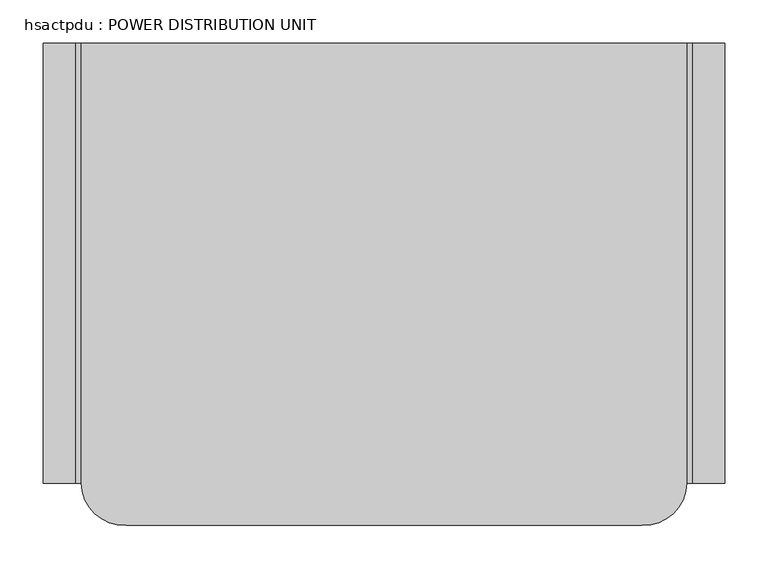
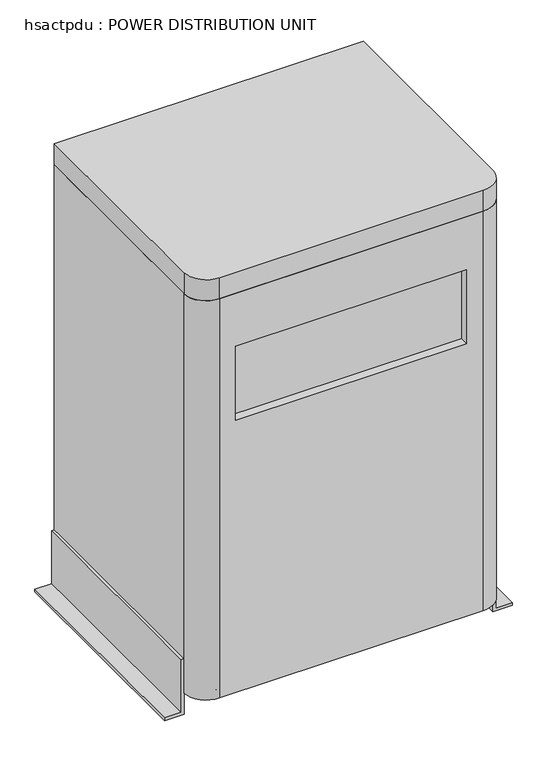
"""IFC4 building model written with IfcOpenShell, lengths in millimetres: proxy geometry, hsactpdu : POWER DISTRIBUTION UNIT."""

from ifc_helpers import new_model, si_unit, point, frame, frame_2d, origin, place, context, project, spatial, polyline, circle_curve, trimmed, segment, composite_curve, outline, extrude, source, transform, mapped, element, save
from ifc_brep_helpers import plane_surface, cylinder_surface, advanced_brep


def hsactpdu_power_distribution_unit_e266adec(model_context):
    return source(origin(), model_context, "Body", "SolidModel", [
        advanced_brep(
        [(351.7080681, -663.4300654, 1010.92), (-351.7080681, -663.4300654, 1010.92), (-299.6939855, -712.8125147, 1010.92), (299.6939855, -712.8125147, 1010.92), (351.7080681, -663.4300654, 50.8), (299.6939855, -712.8125147, 50.8), (-299.6939855, -712.8125147, 50.8), (-351.7080681, -663.4300654, 50.8), (-262.8080681, -712.8125147, 883.92), (262.8080681, -712.8125147, 883.92), (262.8080681, -712.8125147, 706.12), (-262.8080681, -712.8125147, 706.12), (262.8080681, -693.1819847, 883.92), (-262.8080681, -693.1819847, 883.92), (-262.8080681, -693.1819847, 706.12), (262.8080681, -693.1819847, 706.12)],
        [
            (0, 1),
            (1, 2, circle_curve(frame((-301.487452, -662.6173529, 1010.92), z_axis=(0.0, 0.0, 1.0), x_axis=(1.0, 0.0, 0.0)), 50.2271917)),
            (2, 3),
            (3, 0, circle_curve(frame((301.487452, -662.6173529, 1010.92), z_axis=(0.0, 0.0, 1.0), x_axis=(1.0, 0.0, 0.0)), 50.2271917)),
            (4, 5, circle_curve(frame((301.487452, -662.6173529, 50.8), z_axis=(0.0, 0.0, -1.0), x_axis=(1.0, 0.0, 0.0)), 50.2271917)),
            (5, 6),
            (6, 7, circle_curve(frame((-301.487452, -662.6173529, 50.8), z_axis=(0.0, 0.0, -1.0), x_axis=(1.0, 0.0, 0.0)), 50.2271917)),
            (7, 4),
            (0, 4),
            (7, 1),
            (6, 2),
            (5, 3),
            (8, 9),
            (9, 10),
            (10, 11),
            (11, 8),
            (12, 13),
            (13, 14),
            (14, 15),
            (15, 12),
            (12, 9),
            (8, 13),
            (11, 14),
            (10, 15),
        ],
        [
            plane_surface(frame((-351.7080681, -663.4300654, 1010.92), z_axis=(0.0, 0.0, 1.0), x_axis=(-1.0, 0.0, 0.0))),
            plane_surface(frame((-351.7080681, -663.4300654, 50.8), z_axis=(0.0, 0.0, -1.0), x_axis=(1.0, 0.0, 0.0))),
            plane_surface(frame((351.7080681, -663.4300654, 1010.92), z_axis=(0.0, 1.0, 0.0), x_axis=(0.0, 0.0, -1.0))),
            cylinder_surface(frame((-301.487452, -662.6173529, 50.8), z_axis=(0.0, 0.0, 1.0), x_axis=(1.0, 0.0, 0.0)), 50.2271917),
            plane_surface(frame((-299.6939855, -712.8125147, 1010.92), z_axis=(0.0, -1.0, 0.0), x_axis=(0.0, 0.0, -1.0))),
            cylinder_surface(frame((301.487452, -662.6173529, 50.8), z_axis=(0.0, 0.0, 1.0), x_axis=(1.0, 0.0, 0.0)), 50.2271917),
            plane_surface(frame((-299.6939855, -693.1819847, 883.92), z_axis=(0.0, -1.0, 0.0), x_axis=(1.0, 0.0, 0.0))),
            plane_surface(frame((262.8080681, -760.2832995, 883.92), z_axis=(0.0, 0.0, -1.0), x_axis=(0.0, 1.0, 0.0))),
            plane_surface(frame((-262.8080681, -760.2832995, 883.92), z_axis=(1.0, 0.0, 0.0), x_axis=(0.0, 1.0, 0.0))),
            plane_surface(frame((-262.8080681, -760.2832995, 706.12), z_axis=(0.0, 0.0, 1.0), x_axis=(0.0, 1.0, 0.0))),
            plane_surface(frame((262.8080681, -760.2832995, 706.12), z_axis=(-1.0, 0.0, 0.0), x_axis=(0.0, 1.0, 0.0))),
        ],
        [
            (0, [[1, 2, 3, 4]]),
            (1, [[5, 6, 7, 8]]),
            (2, [[-1, 9, -8, 10]]),
            (3, [[-2, -10, -7, 11]]),
            (4, [[-3, -11, -6, 12], [13, 14, 15, 16]]),
            (5, [[-4, -12, -5, -9]]),
            (6, [[17, 18, 19, 20]]),
            (7, [[-17, 21, -13, 22]]),
            (8, [[-18, -22, -16, 23]]),
            (9, [[-19, -23, -15, 24]]),
            (10, [[-20, -24, -14, -21]]),
        ],
    ),
        extrude(outline(composite_curve([segment(trimmed(circle_curve(frame_2d((-612.6300654, 31.75)), 38.1), [point((-579.6344975, 50.8))], [point((-645.6256333, 50.8))], True, "CARTESIAN"), True, "CONTINUOUS"), segment(polyline([(-645.6256333, 50.8), (-663.4300654, 50.8), (-663.4300654, 1010.92), (-152.4, 1010.92), (-152.4, 50.8), (-170.2044321, 50.8)]), True, "CONTINUOUS"), segment(trimmed(circle_curve(frame_2d((-203.2, 31.75)), 38.1), [point((-170.2044321, 50.8))], [point((-236.1955679, 50.8))], True, "CARTESIAN"), True, "CONTINUOUS"), segment(polyline([(-236.1955679, 50.8), (-579.6344975, 50.8)]), True, "CONTINUOUS")], self_intersect=False)), frame((-351.7080681, 0.0, 0.0), z_axis=(1.0, 0.0, 0.0), x_axis=(0.0, 1.0, 0.0)), (0.0, 0.0, 1.0), 703.4161363),
        extrude(outline(composite_curve([segment(trimmed(circle_curve(frame_2d((-612.6300654, 31.75)), 31.75), [point((-644.3800654, 31.75))], [point((-580.8800654, 31.75))], False, "CARTESIAN"), True, "CONTINUOUS"), segment(trimmed(circle_curve(frame_2d((-612.6300654, 31.75)), 31.75), [point((-580.8800654, 31.75))], [point((-644.3800654, 31.75))], False, "CARTESIAN"), True, "CONTINUOUS")], self_intersect=False)), frame((-304.8, 0.0, 0.0), z_axis=(1.0, 0.0, 0.0), x_axis=(0.0, 1.0, 0.0)), (0.0, 0.0, 1.0), 44.45),
        extrude(outline(composite_curve([segment(trimmed(circle_curve(frame_2d((-203.2, 31.75)), 31.75), [point((-171.45, 31.75))], [point((-234.95, 31.75))], False, "CARTESIAN"), True, "CONTINUOUS"), segment(trimmed(circle_curve(frame_2d((-203.2, 31.75)), 31.75), [point((-234.95, 31.75))], [point((-171.45, 31.75))], False, "CARTESIAN"), True, "CONTINUOUS")], self_intersect=False)), frame((-304.8, 0.0, 0.0), z_axis=(1.0, 0.0, 0.0), x_axis=(0.0, 1.0, 0.0)), (0.0, 0.0, 1.0), 44.45),
        extrude(outline(composite_curve([segment(trimmed(circle_curve(frame_2d((-612.6300654, 31.75)), 31.75), [point((-644.3800654, 31.75))], [point((-580.8800654, 31.75))], False, "CARTESIAN"), True, "CONTINUOUS"), segment(trimmed(circle_curve(frame_2d((-612.6300654, 31.75)), 31.75), [point((-580.8800654, 31.75))], [point((-644.3800654, 31.75))], False, "CARTESIAN"), True, "CONTINUOUS")], self_intersect=False)), frame((260.35, 0.0, 0.0), z_axis=(1.0, 0.0, 0.0), x_axis=(0.0, 1.0, 0.0)), (0.0, 0.0, 1.0), 44.45),
        extrude(outline(composite_curve([segment(trimmed(circle_curve(frame_2d((-203.2, 31.75)), 31.75), [point((-171.45, 31.75))], [point((-234.95, 31.75))], False, "CARTESIAN"), True, "CONTINUOUS"), segment(trimmed(circle_curve(frame_2d((-203.2, 31.75)), 31.75), [point((-234.95, 31.75))], [point((-171.45, 31.75))], False, "CARTESIAN"), True, "CONTINUOUS")], self_intersect=False)), frame((260.35, 0.0, 0.0), z_axis=(1.0, 0.0, 0.0), x_axis=(0.0, 1.0, 0.0)), (0.0, 0.0, 1.0), 44.45),
        extrude(outline(composite_curve([segment(trimmed(circle_curve(frame_2d((-301.487452, -662.6173529)), 50.2271917), [point((-299.6939855, -712.8125147))], [point((-351.7080681, -663.4300654))], False, "CARTESIAN"), True, "CONTINUOUS"), segment(polyline([(-351.7080681, -663.4300654), (-351.7080681, -152.4), (351.7080681, -152.4), (351.7080681, -663.4300654)]), True, "CONTINUOUS"), segment(trimmed(circle_curve(frame_2d((301.487452, -662.6173529)), 50.2271917), [point((351.7080681, -663.4300654))], [point((299.6939855, -712.8125147))], False, "CARTESIAN"), True, "CONTINUOUS"), segment(polyline([(299.6939855, -712.8125147), (-299.6939855, -712.8125147)]), True, "CONTINUOUS")], self_intersect=False)), frame((0.0, 0.0, 1010.92), z_axis=(0.0, 0.0, 1.0), x_axis=(1.0, 0.0, 0.0)), (0.0, 0.0, 1.0), 50.8),
        extrude(outline(polyline([(133.35, -358.0580681), (6.35, -358.0580681), (6.35, -396.1580681), (0.0, -396.1580681), (0.0, -351.7080681), (133.35, -351.7080681), (133.35, -358.0580681)])), frame((0.0, -663.4300654, 0.0), z_axis=(0.0, 1.0, 0.0), x_axis=(0.0, 0.0, 1.0)), (0.0, 0.0, 1.0), 511.0300654),
        extrude(outline(polyline([(133.35, 358.0580681), (133.35, 351.7080681), (0.0, 351.7080681), (0.0, 396.1580681), (6.35, 396.1580681), (6.35, 358.0580681), (133.35, 358.0580681)])), frame((0.0, -663.4300654, 0.0), z_axis=(0.0, 1.0, 0.0), x_axis=(0.0, 0.0, 1.0)), (0.0, 0.0, 1.0), 511.0300654),
    ])


if __name__ == "__main__":
    model = new_model("IFC4")
    model_context = context("Model", 3, world=origin())
    ifc_project = project(units=[si_unit("LENGTHUNIT", "METRE", prefix="MILLI")], contexts=[model_context])
    site = spatial("IfcSite", under=ifc_project)
    building = spatial("IfcBuilding", under=site)
    placement = place(None, origin())
    hsactpdu_power_distribution_unit_shape = hsactpdu_power_distribution_unit_e266adec(model_context)
    element("IfcBuildingElementProxy", 1, Name="hsactpdu : POWER DISTRIBUTION UNIT", ObjectType="hsactpdu : POWER DISTRIBUTION UNIT", at=placement, inside=building, context=model_context, shape_type="MappedRepresentation", body=[
        mapped(hsactpdu_power_distribution_unit_shape, transform((0.0, 0.0, 0.0), x_axis=(1.0, 0.0, 0.0), y_axis=(0.0, 1.0, 0.0), z_axis=(0.0, 0.0, 1.0))),
    ])
    save(model, "model.ifc")
